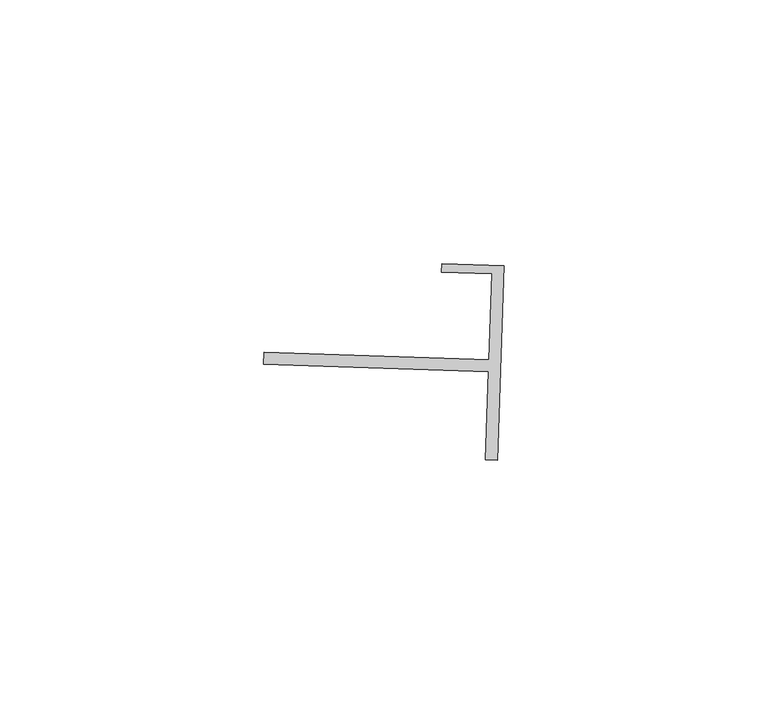
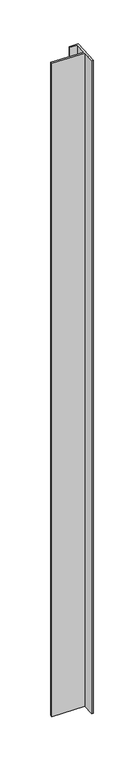
"""IFC4 building model written with IfcOpenShell, lengths in millimetres: proxy geometry."""

import ifcopenshell
import ifcopenshell.guid

model = None  # the IFC model being written
_history = None  # IfcOwnerHistory: only IFC2X3 demands one
_inside = {}  # id of a spatial element -> (the spatial element, [elements in it])
_under = {}  # id of a project, library or spatial element -> (it, [spatial elements below it])
_declared = {}  # id of a project -> (the project, [libraries it declares])
_typed = {}  # id of a type object -> (the type object, [elements of that type])
_made_of = {}  # id of a material, layer set ... -> (it, [elements and type objects made of it])


def new_model(schema):
    """Start an empty IFC model of exactly this schema.

    Asked for "IFC4X3", IfcOpenShell would pick the latest addendum, in which some entities
    have other attributes; the version numbers below select the first issue.
    IFC2X3 requires an IfcOwnerHistory on every rooted entity: one is made here for all.
    """
    global model, _history
    if schema == "IFC4X3":
        model = ifcopenshell.file(schema_version=(4, 3, 0, 0))
    else:
        model = ifcopenshell.file(schema=schema)
    _inside.clear()
    _under.clear()
    _declared.clear()
    _typed.clear()
    _made_of.clear()
    _history = None
    if model.schema == "IFC2X3":
        org = make("IfcOrganization", Name="unknown")
        user = make(
            "IfcPersonAndOrganization",
            ThePerson=make("IfcPerson", FamilyName="unknown"),
            TheOrganization=org,
        )
        app = make(
            "IfcApplication",
            ApplicationDeveloper=org,
            Version="unknown",
            ApplicationFullName="unknown",
            ApplicationIdentifier="unknown",
        )
        _history = make(
            "IfcOwnerHistory",
            OwningUser=user,
            OwningApplication=app,
            ChangeAction="ADDED",
            CreationDate=0,
        )
    return model


def make(cls, **values):
    """One entity of the class cls with the attributes given. An attribute that is None is left unset."""
    return model.create_entity(
        cls, **{name: value for name, value in values.items() if value is not None}
    )


def rooted(cls, **values):
    """An entity with a GlobalId (a new one), such as an element, a storey or a relation."""
    return make(cls, GlobalId=ifcopenshell.guid.new(), OwnerHistory=_history, **values)


def si_unit(unit_type, name, prefix=None):
    """IfcSIUnit, for example si_unit("LENGTHUNIT", "METRE", prefix="MILLI")."""
    return make("IfcSIUnit", UnitType=unit_type, Prefix=prefix, Name=name)


def assignment(units):
    """IfcUnitAssignment: the units of a project."""
    return None if units is None else make("IfcUnitAssignment", Units=units)


def point(xyz):
    """IfcCartesianPoint."""
    return None if xyz is None else make("IfcCartesianPoint", Coordinates=xyz)


def direction(xyz):
    """IfcDirection."""
    return None if xyz is None else make("IfcDirection", DirectionRatios=xyz)


def frame(location, z_axis=None, x_axis=None):
    """IfcAxis2Placement3D, a coordinate frame: its origin and axes. An axis left out is left unset."""
    return make(
        "IfcAxis2Placement3D",
        Location=point(location),
        Axis=direction(z_axis),
        RefDirection=direction(x_axis),
    )


def origin():
    """The frame at (0, 0, 0) with its axes left unset."""
    return frame((0.0, 0.0, 0.0))


def place(relative_to, where):
    """IfcLocalPlacement: puts the frame where relative to a parent placement (None: the world)."""
    return make(
        "IfcLocalPlacement", PlacementRelTo=relative_to, RelativePlacement=where
    )


def context(
    kind, dimensions, precision=None, world=None, true_north=None, identifier=None
):
    """IfcGeometricRepresentationContext, for example the 3D "Model" context."""
    return make(
        "IfcGeometricRepresentationContext",
        ContextIdentifier=identifier,
        ContextType=kind,
        CoordinateSpaceDimension=dimensions,
        Precision=precision,
        WorldCoordinateSystem=world,
        TrueNorth=true_north,
    )


def project(units=None, contexts=None):
    """IfcProject with its units and contexts."""
    return rooted(
        "IfcProject",
        Name="project",
        RepresentationContexts=contexts,
        UnitsInContext=assignment(units),
    )


def spatial(cls, under=None, at=None, **own):
    """A site, building, storey or space (cls), placed at a placement, below another one or the project."""
    s = rooted(cls, ObjectPlacement=at, **own)
    if under is not None:
        _under.setdefault(under.id(), (under, []))[1].append(s)
    return s


def polyline(points):
    """IfcPolyline through the points."""
    return make("IfcPolyline", Points=[point(p) for p in points])


def outline(outer, holes=None, kind="AREA"):
    """IfcArbitraryClosedProfileDef: a profile drawn as a closed curve; with holes, ...WithVoids."""
    if holes is None:
        return make("IfcArbitraryClosedProfileDef", ProfileType=kind, OuterCurve=outer)
    return make(
        "IfcArbitraryProfileDefWithVoids",
        ProfileType=kind,
        OuterCurve=outer,
        InnerCurves=holes,
    )


def extrude(swept, where, along, depth):
    """IfcExtrudedAreaSolid: the profile swept, set in the frame where, extruded along a direction by depth."""
    return make(
        "IfcExtrudedAreaSolid",
        SweptArea=swept,
        Position=where,
        ExtrudedDirection=direction(along),
        Depth=depth,
    )


def shape(context_of_items, identifier, shape_type, items):
    """IfcShapeRepresentation: the items that make up one representation, for example the "Body"."""
    return make(
        "IfcShapeRepresentation",
        ContextOfItems=context_of_items,
        RepresentationIdentifier=identifier,
        RepresentationType=shape_type,
        Items=items,
    )


def source(mapping_origin, context_of_items, identifier, shape_type, items):
    """IfcRepresentationMap: a shape defined once, which mapped items show again and again."""
    return make(
        "IfcRepresentationMap",
        MappingOrigin=mapping_origin,
        MappedRepresentation=shape(context_of_items, identifier, shape_type, items),
    )


def transform(
    local_origin,
    x_axis=None,
    y_axis=None,
    z_axis=None,
    scale=None,
    scale2=None,
    scale3=None,
    uniform=True,
):
    """IfcCartesianTransformationOperator3D, or its non-uniform kind. x_axis, y_axis, z_axis: its Axis1, 2, 3."""
    if uniform:
        return make(
            "IfcCartesianTransformationOperator3D",
            Axis1=direction(x_axis),
            Axis2=direction(y_axis),
            LocalOrigin=point(local_origin),
            Scale=scale,
            Axis3=direction(z_axis),
        )
    return make(
        "IfcCartesianTransformationOperator3DnonUniform",
        Axis1=direction(x_axis),
        Axis2=direction(y_axis),
        LocalOrigin=point(local_origin),
        Scale=scale,
        Axis3=direction(z_axis),
        Scale2=scale2,
        Scale3=scale3,
    )


def mapped(mapping_source, mapping_target):
    """IfcMappedItem: shows the shape of a source again, moved by a transform."""
    return make(
        "IfcMappedItem", MappingSource=mapping_source, MappingTarget=mapping_target
    )


def made_of(thing, what):
    """Note that an element or type object is made of a material, layer set ...; save() writes the relation."""
    if what is not None:
        _made_of.setdefault(what.id(), (what, []))[1].append(thing)
    return thing


def element(
    cls,
    number,
    at=None,
    inside=None,
    cuts=None,
    type_object=None,
    material=None,
    context=None,
    identifier="Body",
    shape_type=None,
    held_by="IfcProductDefinitionShape",
    body=None,
    shapes=None,
    **own,
):
    """One element of the class cls, such as IfcWall. Its Tag is "e" and its number.

    at: its placement. inside: the storey or other place that contains it. cuts: it is an
    opening in that element (IfcRelVoidsElement). A single representation is given by context,
    identifier, shape_type and body (its items); several are given by shapes. held_by: the class
    of the entity that holds the representations. save() writes the other relations.
    """
    e = rooted(cls, Tag="e%d" % number, ObjectPlacement=at, **own)
    if body is not None:
        shapes = [shape(context, identifier, shape_type, body)]
    if shapes is not None:
        e.Representation = make(held_by, Representations=shapes)
    if inside is not None:
        _inside.setdefault(inside.id(), (inside, []))[1].append(e)
    if cuts is not None:
        rooted(
            "IfcRelVoidsElement", RelatingBuildingElement=cuts, RelatedOpeningElement=e
        )
    if type_object is not None:
        _typed.setdefault(type_object.id(), (type_object, []))[1].append(e)
    return made_of(e, material)


def aggregate(whole, parts):
    """IfcRelAggregates: a whole, such as a stair, and the parts it consists of."""
    return rooted("IfcRelAggregates", RelatingObject=whole, RelatedObjects=parts)


def save(model, path):
    """Write the relations noted so far, then the file.

    IfcRelAggregates (storeys below a building ...), IfcRelContainedInSpatialStructure (elements
    in a storey), IfcRelDefinesByType, IfcRelAssociatesMaterial and IfcRelDeclares: one each for
    every whole, place, type object, material and project.
    """
    for whole, parts in _under.values():
        aggregate(whole, parts)
    for where, things in _inside.values():
        rooted(
            "IfcRelContainedInSpatialStructure",
            RelatedElements=things,
            RelatingStructure=where,
        )
    for kind, things in _typed.values():
        rooted("IfcRelDefinesByType", RelatedObjects=things, RelatingType=kind)
    for what, things in _made_of.values():
        rooted("IfcRelAssociatesMaterial", RelatedObjects=things, RelatingMaterial=what)
    for by, libraries in _declared.values():
        rooted("IfcRelDeclares", RelatingContext=by, RelatedDefinitions=libraries)
    model.write(path)


def generic_models_c1ed56cd(model_context):
    return source(origin(), model_context, "Body", "SweptSolid", [
        extrude(outline(polyline([(34593.2734107, -15403.8114406), (34593.3281718, -15402.2112571), (34605.1383827, -15402.615618), (34603.8769927, -15439.4748661), (34601.5911411, -15439.3966402), (34602.1615377, -15422.7290005), (34559.4923721, -15421.2687847), (34559.5706013, -15418.982836), (34602.2397672, -15420.4430518), (34602.7977765, -15404.1373816), (34593.2734107, -15403.8114406)])), frame((0.0, 0.0, 1597.975708), z_axis=(0.0, 0.0, 1.0), x_axis=(1.0, 0.0, 0.0)), (0.0, 0.0, 1.0), 914.4),
    ])


if __name__ == "__main__":
    model = new_model("IFC4")
    model_context = context("Model", 3, world=origin())
    ifc_project = project(units=[si_unit("LENGTHUNIT", "METRE", prefix="MILLI")], contexts=[model_context])
    site = spatial("IfcSite", under=ifc_project)
    building = spatial("IfcBuilding", under=site)
    placement = place(None, origin())
    generic_models_shape = generic_models_c1ed56cd(model_context)
    element("IfcBuildingElementProxy", 1, Name="Generic Models", at=placement, inside=building, context=model_context, shape_type="MappedRepresentation", body=[
        mapped(generic_models_shape, transform((0.0, 0.0, 0.0), x_axis=(1.0, 0.0, 0.0), y_axis=(0.0, 1.0, 0.0), z_axis=(0.0, 0.0, 1.0))),
    ])
    save(model, "model.ifc")
